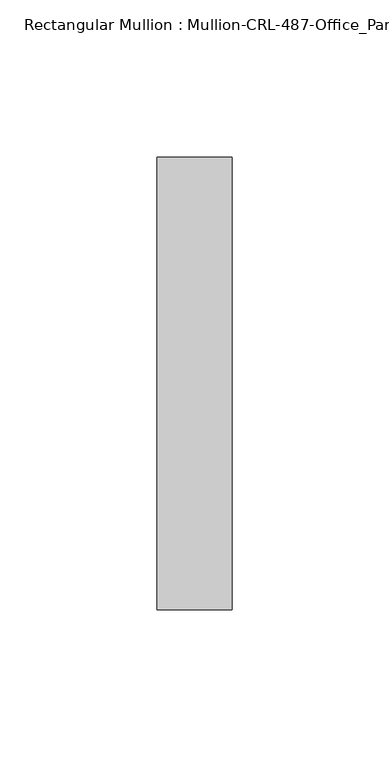
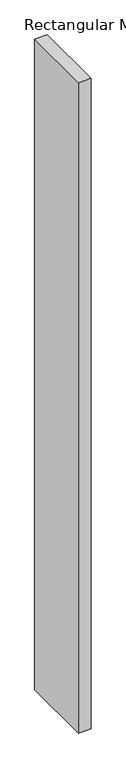
"""IFC4 building model written with IfcOpenShell, lengths in millimetres: member geometry, Rectangular Mullion : Mullion-CRL-487-Office_Partition-Cased."""

import ifcopenshell
import ifcopenshell.guid

model = None  # the IFC model being written
_history = None  # IfcOwnerHistory: only IFC2X3 demands one
_inside = {}  # id of a spatial element -> (the spatial element, [elements in it])
_under = {}  # id of a project, library or spatial element -> (it, [spatial elements below it])
_declared = {}  # id of a project -> (the project, [libraries it declares])
_typed = {}  # id of a type object -> (the type object, [elements of that type])
_made_of = {}  # id of a material, layer set ... -> (it, [elements and type objects made of it])


def new_model(schema):
    """Start an empty IFC model of exactly this schema.

    Asked for "IFC4X3", IfcOpenShell would pick the latest addendum, in which some entities
    have other attributes; the version numbers below select the first issue.
    IFC2X3 requires an IfcOwnerHistory on every rooted entity: one is made here for all.
    """
    global model, _history
    if schema == "IFC4X3":
        model = ifcopenshell.file(schema_version=(4, 3, 0, 0))
    else:
        model = ifcopenshell.file(schema=schema)
    _inside.clear()
    _under.clear()
    _declared.clear()
    _typed.clear()
    _made_of.clear()
    _history = None
    if model.schema == "IFC2X3":
        org = make("IfcOrganization", Name="unknown")
        user = make(
            "IfcPersonAndOrganization",
            ThePerson=make("IfcPerson", FamilyName="unknown"),
            TheOrganization=org,
        )
        app = make(
            "IfcApplication",
            ApplicationDeveloper=org,
            Version="unknown",
            ApplicationFullName="unknown",
            ApplicationIdentifier="unknown",
        )
        _history = make(
            "IfcOwnerHistory",
            OwningUser=user,
            OwningApplication=app,
            ChangeAction="ADDED",
            CreationDate=0,
        )
    return model


def make(cls, **values):
    """One entity of the class cls with the attributes given. An attribute that is None is left unset."""
    return model.create_entity(
        cls, **{name: value for name, value in values.items() if value is not None}
    )


def rooted(cls, **values):
    """An entity with a GlobalId (a new one), such as an element, a storey or a relation."""
    return make(cls, GlobalId=ifcopenshell.guid.new(), OwnerHistory=_history, **values)


def si_unit(unit_type, name, prefix=None):
    """IfcSIUnit, for example si_unit("LENGTHUNIT", "METRE", prefix="MILLI")."""
    return make("IfcSIUnit", UnitType=unit_type, Prefix=prefix, Name=name)


def assignment(units):
    """IfcUnitAssignment: the units of a project."""
    return None if units is None else make("IfcUnitAssignment", Units=units)


def point(xyz):
    """IfcCartesianPoint."""
    return None if xyz is None else make("IfcCartesianPoint", Coordinates=xyz)


def direction(xyz):
    """IfcDirection."""
    return None if xyz is None else make("IfcDirection", DirectionRatios=xyz)


def frame(location, z_axis=None, x_axis=None):
    """IfcAxis2Placement3D, a coordinate frame: its origin and axes. An axis left out is left unset."""
    return make(
        "IfcAxis2Placement3D",
        Location=point(location),
        Axis=direction(z_axis),
        RefDirection=direction(x_axis),
    )


def origin():
    """The frame at (0, 0, 0) with its axes left unset."""
    return frame((0.0, 0.0, 0.0))


def place(relative_to, where):
    """IfcLocalPlacement: puts the frame where relative to a parent placement (None: the world)."""
    return make(
        "IfcLocalPlacement", PlacementRelTo=relative_to, RelativePlacement=where
    )


def context(
    kind, dimensions, precision=None, world=None, true_north=None, identifier=None
):
    """IfcGeometricRepresentationContext, for example the 3D "Model" context."""
    return make(
        "IfcGeometricRepresentationContext",
        ContextIdentifier=identifier,
        ContextType=kind,
        CoordinateSpaceDimension=dimensions,
        Precision=precision,
        WorldCoordinateSystem=world,
        TrueNorth=true_north,
    )


def project(units=None, contexts=None):
    """IfcProject with its units and contexts."""
    return rooted(
        "IfcProject",
        Name="project",
        RepresentationContexts=contexts,
        UnitsInContext=assignment(units),
    )


def spatial(cls, under=None, at=None, **own):
    """A site, building, storey or space (cls), placed at a placement, below another one or the project."""
    s = rooted(cls, ObjectPlacement=at, **own)
    if under is not None:
        _under.setdefault(under.id(), (under, []))[1].append(s)
    return s


def polyline(points):
    """IfcPolyline through the points."""
    return make("IfcPolyline", Points=[point(p) for p in points])


def outline(outer, holes=None, kind="AREA"):
    """IfcArbitraryClosedProfileDef: a profile drawn as a closed curve; with holes, ...WithVoids."""
    if holes is None:
        return make("IfcArbitraryClosedProfileDef", ProfileType=kind, OuterCurve=outer)
    return make(
        "IfcArbitraryProfileDefWithVoids",
        ProfileType=kind,
        OuterCurve=outer,
        InnerCurves=holes,
    )


def extrude(swept, where, along, depth):
    """IfcExtrudedAreaSolid: the profile swept, set in the frame where, extruded along a direction by depth."""
    return make(
        "IfcExtrudedAreaSolid",
        SweptArea=swept,
        Position=where,
        ExtrudedDirection=direction(along),
        Depth=depth,
    )


def shape(context_of_items, identifier, shape_type, items):
    """IfcShapeRepresentation: the items that make up one representation, for example the "Body"."""
    return make(
        "IfcShapeRepresentation",
        ContextOfItems=context_of_items,
        RepresentationIdentifier=identifier,
        RepresentationType=shape_type,
        Items=items,
    )


def source(mapping_origin, context_of_items, identifier, shape_type, items):
    """IfcRepresentationMap: a shape defined once, which mapped items show again and again."""
    return make(
        "IfcRepresentationMap",
        MappingOrigin=mapping_origin,
        MappedRepresentation=shape(context_of_items, identifier, shape_type, items),
    )


def transform(
    local_origin,
    x_axis=None,
    y_axis=None,
    z_axis=None,
    scale=None,
    scale2=None,
    scale3=None,
    uniform=True,
):
    """IfcCartesianTransformationOperator3D, or its non-uniform kind. x_axis, y_axis, z_axis: its Axis1, 2, 3."""
    if uniform:
        return make(
            "IfcCartesianTransformationOperator3D",
            Axis1=direction(x_axis),
            Axis2=direction(y_axis),
            LocalOrigin=point(local_origin),
            Scale=scale,
            Axis3=direction(z_axis),
        )
    return make(
        "IfcCartesianTransformationOperator3DnonUniform",
        Axis1=direction(x_axis),
        Axis2=direction(y_axis),
        LocalOrigin=point(local_origin),
        Scale=scale,
        Axis3=direction(z_axis),
        Scale2=scale2,
        Scale3=scale3,
    )


def mapped(mapping_source, mapping_target):
    """IfcMappedItem: shows the shape of a source again, moved by a transform."""
    return make(
        "IfcMappedItem", MappingSource=mapping_source, MappingTarget=mapping_target
    )


def made_of(thing, what):
    """Note that an element or type object is made of a material, layer set ...; save() writes the relation."""
    if what is not None:
        _made_of.setdefault(what.id(), (what, []))[1].append(thing)
    return thing


def element(
    cls,
    number,
    at=None,
    inside=None,
    cuts=None,
    type_object=None,
    material=None,
    context=None,
    identifier="Body",
    shape_type=None,
    held_by="IfcProductDefinitionShape",
    body=None,
    shapes=None,
    **own,
):
    """One element of the class cls, such as IfcWall. Its Tag is "e" and its number.

    at: its placement. inside: the storey or other place that contains it. cuts: it is an
    opening in that element (IfcRelVoidsElement). A single representation is given by context,
    identifier, shape_type and body (its items); several are given by shapes. held_by: the class
    of the entity that holds the representations. save() writes the other relations.
    """
    e = rooted(cls, Tag="e%d" % number, ObjectPlacement=at, **own)
    if body is not None:
        shapes = [shape(context, identifier, shape_type, body)]
    if shapes is not None:
        e.Representation = make(held_by, Representations=shapes)
    if inside is not None:
        _inside.setdefault(inside.id(), (inside, []))[1].append(e)
    if cuts is not None:
        rooted(
            "IfcRelVoidsElement", RelatingBuildingElement=cuts, RelatedOpeningElement=e
        )
    if type_object is not None:
        _typed.setdefault(type_object.id(), (type_object, []))[1].append(e)
    return made_of(e, material)


def aggregate(whole, parts):
    """IfcRelAggregates: a whole, such as a stair, and the parts it consists of."""
    return rooted("IfcRelAggregates", RelatingObject=whole, RelatedObjects=parts)


def save(model, path):
    """Write the relations noted so far, then the file.

    IfcRelAggregates (storeys below a building ...), IfcRelContainedInSpatialStructure (elements
    in a storey), IfcRelDefinesByType, IfcRelAssociatesMaterial and IfcRelDeclares: one each for
    every whole, place, type object, material and project.
    """
    for whole, parts in _under.values():
        aggregate(whole, parts)
    for where, things in _inside.values():
        rooted(
            "IfcRelContainedInSpatialStructure",
            RelatedElements=things,
            RelatingStructure=where,
        )
    for kind, things in _typed.values():
        rooted("IfcRelDefinesByType", RelatedObjects=things, RelatingType=kind)
    for what, things in _made_of.values():
        rooted("IfcRelAssociatesMaterial", RelatedObjects=things, RelatingMaterial=what)
    for by, libraries in _declared.values():
        rooted("IfcRelDeclares", RelatingContext=by, RelatedDefinitions=libraries)
    model.write(path)


def rectangular_mullion_mullion_crl_487_office_partition_cased_f6ebe4e0(model_context):
    return source(origin(), model_context, "Body", "SweptSolid", [
        extrude(outline(polyline([(0.0, -71.9452143), (-23.7998, -71.9452143), (-23.7998, 71.9452142), (0.0, 71.9452142), (0.0, -71.9452143)])), frame((0.0, 0.0, -1304.9157168), z_axis=(0.0, 0.0, 1.0), x_axis=(1.0, 0.0, 0.0)), (0.0, 0.0, 1.0), 1304.9157168),
    ])


if __name__ == "__main__":
    model = new_model("IFC4")
    model_context = context("Model", 3, world=origin())
    ifc_project = project(units=[si_unit("LENGTHUNIT", "METRE", prefix="MILLI")], contexts=[model_context])
    site = spatial("IfcSite", under=ifc_project)
    building = spatial("IfcBuilding", under=site)
    placement = place(None, origin())
    rectangular_mullion_mullion_crl_487_office_partition_cased_shape = rectangular_mullion_mullion_crl_487_office_partition_cased_f6ebe4e0(model_context)
    element("IfcMember", 1, ObjectType="Rectangular Mullion : Mullion-CRL-487-Office_Partition-Cased", at=placement, inside=building, context=model_context, shape_type="MappedRepresentation", body=[
        mapped(rectangular_mullion_mullion_crl_487_office_partition_cased_shape, transform((0.0, 0.0, 0.0), x_axis=(1.0, 0.0, 0.0), y_axis=(0.0, 1.0, 0.0), z_axis=(0.0, 0.0, 1.0))),
    ])
    save(model, "model.ifc")
